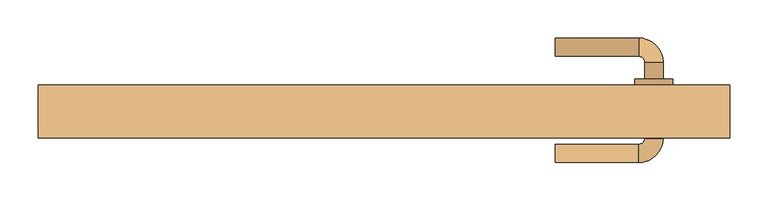
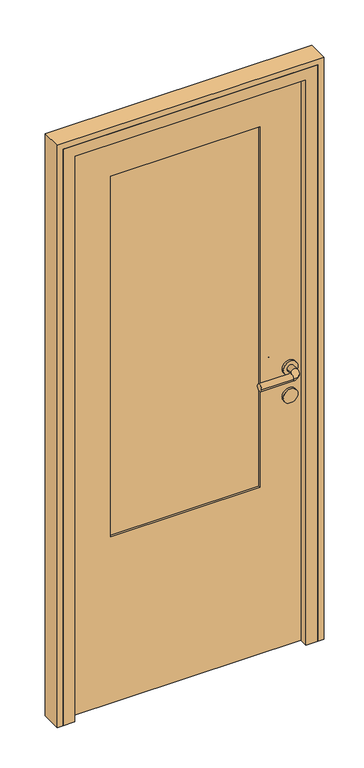
"""IFC4 building model written with IfcOpenShell, lengths in millimetres: door geometry."""

from ifc_helpers import new_model, si_unit, point, frame, frame_2d, origin, place, context, project, spatial, polyline, circle_curve, ellipse_curve, trimmed, segment, composite_curve, outline, extrude, faceted_brep, source, transform, mapped, element, save
from ifc_brep_helpers import plane_surface, cylinder_surface, revolved_surface, advanced_brep


def door_bdbc5c16(model_context):
    return source(origin(), model_context, "Body", "SolidModel", [
        advanced_brep(
        [(225.0, 132.0, 1000.0), (225.0, 108.0, 1000.0), (335.0, 108.0, 1000.0), (335.0, 132.0, 1000.0), (343.0, 100.0, 1000.0), (367.0, 100.0, 1000.0), (367.0, 0.0, 1000.0), (367.0, 22.0, 1000.0), (343.0, 22.0, 1000.0), (343.0, 0.0, 1000.0), (343.0, 78.0, 1000.0), (367.0, 78.0, 1000.0), (335.0, -8.0, 1000.0), (335.0, -32.0, 1000.0), (225.0, -32.0, 1000.0), (225.0, -8.0, 1000.0), (330.0, 22.0, 1000.0), (380.0, 22.0, 1000.0), (330.0, 78.0, 1000.0), (380.0, 78.0, 1000.0)],
        [
            (0, 1, circle_curve(frame((225.0, 120.0, 1000.0), z_axis=(-1.0, 0.0, 0.0), x_axis=(0.0, -1.0, 0.0)), 12.0)),
            (1, 0, circle_curve(frame((225.0, 120.0, 1000.0), z_axis=(-1.0, 0.0, 0.0), x_axis=(0.0, -1.0, 0.0)), 12.0)),
            (1, 2),
            (2, 3, circle_curve(frame((335.0, 120.0, 1000.0), z_axis=(-1.0, 0.0, 0.0), x_axis=(0.0, -1.0, 0.0)), 12.0)),
            (3, 0),
            (3, 2, circle_curve(frame((335.0, 120.0, 1000.0), z_axis=(-1.0, 0.0, 0.0), x_axis=(0.0, -1.0, 0.0)), 12.0)),
            (2, 4, circle_curve(frame((335.0, 100.0, 1000.0), z_axis=(0.0, 0.0, -1.0), x_axis=(0.0, 1.0, 0.0)), 8.0)),
            (4, 5, circle_curve(frame((355.0, 100.0, 1000.0), z_axis=(0.0, 1.0, 0.0), x_axis=(-1.0, 0.0, 0.0)), 12.0)),
            (5, 3, circle_curve(frame((335.0, 100.0, 1000.0), z_axis=(0.0, 0.0, 1.0), x_axis=(0.0, 1.0, 0.0)), 32.0)),
            (5, 4, circle_curve(frame((355.0, 100.0, 1000.0), z_axis=(0.0, 1.0, 0.0), x_axis=(-1.0, 0.0, 0.0)), 12.0)),
            (6, 7),
            (7, 8, circle_curve(frame((355.0, 22.0, 1000.0), z_axis=(0.0, -1.0, 0.0), x_axis=(-1.0, 0.0, 0.0)), 12.0)),
            (8, 9),
            (9, 6, circle_curve(frame((355.0, 0.0, 1000.0), z_axis=(0.0, 1.0, 0.0), x_axis=(-1.0, 0.0, 0.0)), 12.0)),
            (4, 10),
            (10, 11, circle_curve(frame((355.0, 78.0, 1000.0), z_axis=(0.0, 1.0, 0.0), x_axis=(-1.0, 0.0, 0.0)), 12.0)),
            (11, 5),
            (11, 10, circle_curve(frame((355.0, 78.0, 1000.0), z_axis=(0.0, 1.0, 0.0), x_axis=(-1.0, 0.0, 0.0)), 12.0)),
            (8, 7, circle_curve(frame((355.0, 22.0, 1000.0), z_axis=(0.0, -1.0, 0.0), x_axis=(-1.0, 0.0, 0.0)), 12.0)),
            (6, 9, circle_curve(frame((355.0, 0.0, 1000.0), z_axis=(0.0, 1.0, 0.0), x_axis=(-1.0, 0.0, 0.0)), 12.0)),
            (9, 12, circle_curve(frame((335.0, 0.0, 1000.0), z_axis=(0.0, 0.0, -1.0), x_axis=(1.0, 0.0, 0.0)), 8.0)),
            (12, 13, circle_curve(frame((335.0, -20.0, 1000.0), z_axis=(1.0, 0.0, 0.0), x_axis=(0.0, 1.0, 0.0)), 12.0)),
            (13, 6, circle_curve(frame((335.0, 0.0, 1000.0), z_axis=(0.0, 0.0, 1.0), x_axis=(1.0, 0.0, 0.0)), 32.0)),
            (13, 12, circle_curve(frame((335.0, -20.0, 1000.0), z_axis=(1.0, 0.0, 0.0), x_axis=(0.0, 1.0, 0.0)), 12.0)),
            (14, 15, circle_curve(frame((225.0, -20.0, 1000.0), z_axis=(-1.0, 0.0, 0.0), x_axis=(0.0, 1.0, 0.0)), 12.0)),
            (15, 14, circle_curve(frame((225.0, -20.0, 1000.0), z_axis=(-1.0, 0.0, 0.0), x_axis=(0.0, 1.0, 0.0)), 12.0)),
            (12, 15),
            (14, 13),
            (16, 17, circle_curve(frame((355.0, 22.0, 1000.0), z_axis=(0.0, -1.0, 0.0), x_axis=(1.0, 0.0, 0.0)), 25.0)),
            (17, 16, circle_curve(frame((355.0, 22.0, 1000.0), z_axis=(0.0, -1.0, 0.0), x_axis=(1.0, 0.0, 0.0)), 25.0)),
            (18, 19, circle_curve(frame((355.0, 78.0, 1000.0), z_axis=(0.0, 1.0, 0.0), x_axis=(1.0, 0.0, 0.0)), 25.0)),
            (19, 18, circle_curve(frame((355.0, 78.0, 1000.0), z_axis=(0.0, 1.0, 0.0), x_axis=(1.0, 0.0, 0.0)), 25.0)),
            (17, 19),
            (18, 16),
        ],
        [
            plane_surface(frame((225.0, 120.0, 1000.0), z_axis=(-1.0, 0.0, 0.0), x_axis=(0.0, 0.0, 1.0))),
            cylinder_surface(frame((225.0, 120.0, 1000.0), z_axis=(-1.0, 0.0, 0.0), x_axis=(0.0, -1.0, 0.0)), 12.0),
            revolved_surface(trimmed(ellipse_curve(frame((335.0, 120.0, 1000.0), z_axis=(1.0, 0.0, 0.0), x_axis=(0.0, -1.0, 0.0)), 12.0, 12.0), [point((335.0, 132.0, 1000.0))], [point((335.0, 108.0, 1000.0))], True, "CARTESIAN"), (335.0, 100.0, 1000.0), (0.0, 0.0, 1.0)),
            revolved_surface(trimmed(ellipse_curve(frame((335.0, 120.0, 1000.0), z_axis=(1.0, 0.0, 0.0), x_axis=(0.0, -1.0, 0.0)), 12.0, 12.0), [point((335.0, 108.0, 1000.0))], [point((335.0, 132.0, 1000.0))], True, "CARTESIAN"), (335.0, 100.0, 1000.0), (0.0, 0.0, 1.0)),
            cylinder_surface(frame((355.0, 100.0, 1000.0), z_axis=(0.0, 1.0, 0.0), x_axis=(-1.0, 0.0, 0.0)), 12.0),
            revolved_surface(trimmed(ellipse_curve(frame((355.0, 0.0, 1000.0), z_axis=(0.0, -1.0, 0.0), x_axis=(-1.0, 0.0, 0.0)), 12.0, 12.0), [point((367.0, 0.0, 1000.0))], [point((343.0, 0.0, 1000.0))], True, "CARTESIAN"), (335.0, 0.0, 1000.0), (0.0, 0.0, 1.0)),
            revolved_surface(trimmed(ellipse_curve(frame((355.0, 0.0, 1000.0), z_axis=(0.0, -1.0, 0.0), x_axis=(-1.0, 0.0, 0.0)), 12.0, 12.0), [point((343.0, 0.0, 1000.0))], [point((367.0, 0.0, 1000.0))], True, "CARTESIAN"), (335.0, 0.0, 1000.0), (0.0, 0.0, 1.0)),
            plane_surface(frame((225.0, -20.0, 1000.0), z_axis=(-1.0, 0.0, 0.0), x_axis=(0.0, 0.0, 1.0))),
            cylinder_surface(frame((335.0, -20.0, 1000.0), z_axis=(1.0, 0.0, 0.0), x_axis=(0.0, 1.0, 0.0)), 12.0),
            plane_surface(frame((380.0, 22.0, 1000.0), z_axis=(0.0, -1.0, 0.0), x_axis=(0.0, 0.0, -1.0))),
            plane_surface(frame((380.0, 78.0, 1000.0), z_axis=(0.0, 1.0, 0.0), x_axis=(0.0, 0.0, 1.0))),
            cylinder_surface(frame((355.0, 22.0, 1000.0), z_axis=(0.0, 1.0, 0.0), x_axis=(1.0, 0.0, 0.0)), 25.0),
        ],
        [
            (0, [[1, 2]]),
            (1, [[3, 4, 5, -2]]),
            (1, [[-5, 6, -3, -1]]),
            (2, [[7, 8, 9, -4]]),
            (3, [[-9, 10, -7, -6]]),
            (4, [[11, 12, 13, 14]]),
            (4, [[15, 16, 17, -8]]),
            (4, [[-17, 18, -15, -10]]),
            (4, [[-13, 19, -11, 20]]),
            (5, [[21, 22, 23, -14]]),
            (6, [[-23, 24, -21, -20]]),
            (7, [[25, 26]]),
            (8, [[27, -25, 28, -22]]),
            (8, [[-28, -26, -27, -24]]),
            (9, [[29, 30], [-19, -12]]),
            (10, [[31, 32], [-18, -16]]),
            (11, [[33, -31, 34, -30]]),
            (11, [[-34, -32, -33, -29]]),
        ],
    ),
        extrude(outline(composite_curve([segment(trimmed(circle_curve(frame_2d((900.0, 355.0)), 25.0), [point((900.0, 330.0))], [point((900.0, 380.0))], False, "CARTESIAN"), True, "CONTINUOUS"), segment(trimmed(circle_curve(frame_2d((900.0, 355.0)), 25.0), [point((900.0, 380.0))], [point((900.0, 330.0))], False, "CARTESIAN"), True, "CONTINUOUS")], self_intersect=False)), frame((0.0, 22.0, 0.0), z_axis=(0.0, 1.0, 0.0), x_axis=(0.0, 0.0, 1.0)), (0.0, 0.0, 1.0), 56.0),
        extrude(outline(polyline([(-255.0, 62.0), (255.0, 62.0), (255.0, 38.0), (-255.0, 38.0), (-255.0, 62.0)])), frame((0.0, 0.0, 600.0), z_axis=(0.0, 0.0, 1.0), x_axis=(1.0, 0.0, 0.0)), (0.0, 0.0, 1.0), 1300.0),
        extrude(outline(polyline([(0.0, -405.0), (0.0, 405.0), (2050.0, 405.0), (2050.0, -405.0), (0.0, -405.0)]), holes=[polyline([(600.0, 255.0), (600.0, -255.0), (1900.0, -255.0), (1900.0, 255.0), (600.0, 255.0)])]), frame((0.0, 30.0, 0.0), z_axis=(0.0, 1.0, 0.0), x_axis=(0.0, 0.0, 1.0)), (0.0, 0.0, 1.0), 40.0),
        extrude(outline(polyline([(0.0, 455.0), (2100.0, 455.0), (2100.0, -455.0), (0.0, -455.0), (0.0, -435.0), (2080.0, -435.0), (2080.0, 435.0), (0.0, 435.0), (0.0, 455.0)])), frame((0.0, 0.0, 0.0), z_axis=(0.0, 1.0, 0.0), x_axis=(0.0, 0.0, 1.0)), (0.0, 0.0, 1.0), 70.0),
        faceted_brep([(-435.0, 0.0, 0.0), (-435.0, 70.0, 0.0), (-405.0, 70.0, 0.0), (-405.0, 30.0, 0.0), (-395.0, 30.0, 0.0), (-395.0, 0.0, 0.0), (-435.0, 0.0, 2080.0), (-435.0, 70.0, 2080.0), (435.0, 70.0, 2080.0), (435.0, 70.0, 0.0), (405.0, 70.0, 0.0), (405.0, 70.0, 2050.0), (-405.0, 70.0, 2050.0), (-405.0, 30.0, 2050.0), (405.0, 30.0, 2050.0), (405.0, 30.0, 0.0), (395.0, 30.0, 0.0), (395.0, 30.0, 2040.0), (-395.0, 30.0, 2040.0), (-395.0, 0.0, 2040.0), (395.0, 0.0, 2040.0), (395.0, 0.0, 0.0), (435.0, 0.0, 0.0), (435.0, 0.0, 2080.0)], [[[0, 1, 2, 3, 4, 5]], [[1, 0, 6, 7]], [[2, 1, 7, 8, 9, 10, 11, 12]], [[3, 2, 12, 13]], [[4, 3, 13, 14, 15, 16, 17, 18]], [[5, 4, 18, 19]], [[0, 5, 19, 20, 21, 22, 23, 6]], [[7, 6, 23, 8]], [[13, 12, 11, 14]], [[19, 18, 17, 20]], [[22, 21, 16, 15, 10, 9]], [[8, 23, 22, 9]], [[14, 11, 10, 15]], [[20, 17, 16, 21]]]),
    ])


if __name__ == "__main__":
    model = new_model("IFC4")
    model_context = context("Model", 3, world=origin())
    ifc_project = project(units=[si_unit("LENGTHUNIT", "METRE", prefix="MILLI")], contexts=[model_context])
    site = spatial("IfcSite", under=ifc_project)
    building = spatial("IfcBuilding", under=site)
    placement = place(None, origin())
    door_shape = door_bdbc5c16(model_context)
    element("IfcDoor", 1, at=placement, inside=building, context=model_context, shape_type="MappedRepresentation", body=[
        mapped(door_shape, transform((0.0, 0.0, 0.0), x_axis=(1.0, 0.0, 0.0), y_axis=(0.0, 1.0, 0.0), z_axis=(0.0, 0.0, 1.0))),
    ])
    save(model, "model.ifc")
